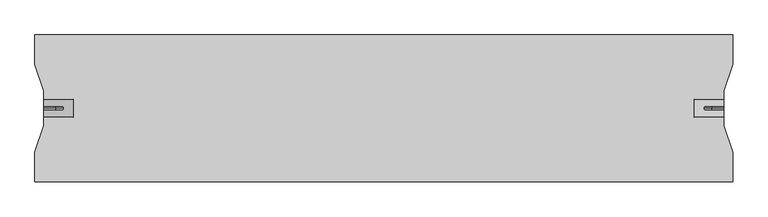
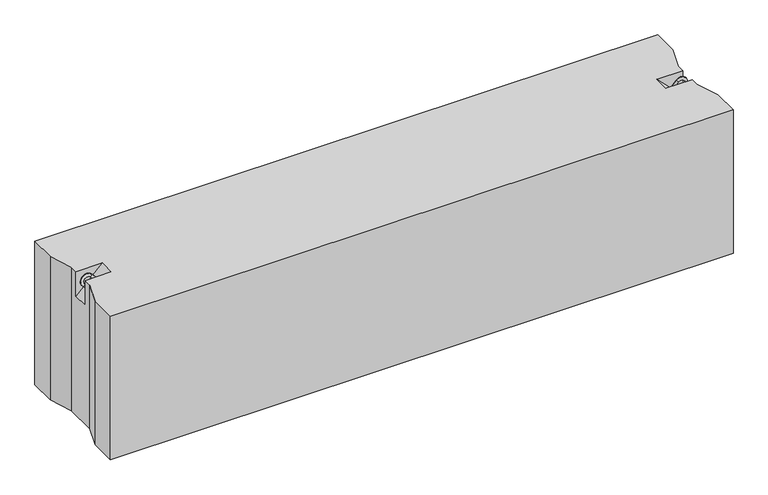
"""IFC4 building model written with IfcOpenShell, lengths in millimetres: proxy geometry."""

from ifc_helpers import new_model, si_unit, point, frame, origin, place, context, project, spatial, circle_curve, ellipse_curve, trimmed, faceted_brep, source, transform, mapped, element, save
from ifc_brep_helpers import plane_surface, cylinder_surface, revolved_surface, advanced_brep


def generic_models_3a6be638(model_context):
    return source(origin(), model_context, "Body", "SolidModel", [
        advanced_brep(
        [(2282.3223305, 0.0, 547.6776695), (2289.3933983, 0.0, 540.6066017), (2314.3933983, 0.0, 565.6066017), (2307.3223305, 0.0, 572.6776695), (2335.6066017, 0.0, 544.3933983), (2342.6776695, 0.0, 537.3223305), (2317.6776695, 0.0, 512.3223305), (2310.6066017, 0.0, 519.3933983)],
        [
            (0, 1, circle_curve(frame((2285.8578644, 0.0, 544.1421356), z_axis=(-0.7071067811865482, 0.0, -0.7071067811865468), x_axis=(0.7071067811865468, 0.0, -0.7071067811865482)), 5.0)),
            (1, 0, circle_curve(frame((2285.8578644, 0.0, 544.1421356), z_axis=(-0.7071067811865482, 0.0, -0.7071067811865468), x_axis=(0.7071067811865468, 0.0, -0.7071067811865482)), 5.0)),
            (1, 2),
            (2, 3, circle_curve(frame((2310.8578644, 0.0, 569.1421356), z_axis=(-0.7071067811865482, 0.0, -0.7071067811865468), x_axis=(0.7071067811865468, 0.0, -0.7071067811865482)), 5.0)),
            (3, 0),
            (3, 2, circle_curve(frame((2310.8578644, 0.0, 569.1421356), z_axis=(-0.7071067811865482, 0.0, -0.7071067811865468), x_axis=(0.7071067811865468, 0.0, -0.7071067811865482)), 5.0)),
            (4, 5, circle_curve(frame((2339.1421356, 0.0, 540.8578644), z_axis=(0.7071067811865457, 0.0, 0.7071067811865493), x_axis=(-0.7071067811865493, 0.0, 0.7071067811865457)), 5.0)),
            (5, 3, circle_curve(frame((2325.0, 0.0, 555.0), z_axis=(0.0, -1.0, 0.0), x_axis=(-0.7071067811865468, 0.0, 0.7071067811865482)), 25.0)),
            (2, 4, circle_curve(frame((2325.0, 0.0, 555.0), z_axis=(0.0, 1.0, 0.0), x_axis=(-0.7071067811865468, 0.0, 0.7071067811865482)), 15.0)),
            (5, 4, circle_curve(frame((2339.1421356, 0.0, 540.8578644), z_axis=(0.7071067811865459, 0.0, 0.7071067811865491), x_axis=(-0.7071067811865491, 0.0, 0.7071067811865459)), 5.0)),
            (6, 7, circle_curve(frame((2314.1421356, 0.0, 515.8578644), z_axis=(-0.7071067811865505, 0.0, -0.7071067811865446), x_axis=(-0.7071067811865446, 0.0, 0.7071067811865505)), 5.0)),
            (7, 6, circle_curve(frame((2314.1421356, 0.0, 515.8578644), z_axis=(-0.7071067811865505, 0.0, -0.7071067811865446), x_axis=(-0.7071067811865446, 0.0, 0.7071067811865505)), 5.0)),
            (4, 7),
            (6, 5),
        ],
        [
            plane_surface(frame((2282.3223305, 0.0, 547.6776695), z_axis=(-0.7071067811865482, 0.0, -0.7071067811865468), x_axis=(0.0, -1.0, 0.0))),
            cylinder_surface(frame((2285.8578644, 0.0, 544.1421356), z_axis=(-0.7071067811865482, 0.0, -0.7071067811865468), x_axis=(0.7071067811865468, 0.0, -0.7071067811865482)), 5.0),
            revolved_surface(trimmed(ellipse_curve(frame((2310.8578644, 0.0, 569.1421356), z_axis=(0.7071067811865482, 0.0, 0.7071067811865468), x_axis=(0.7071067811865468, 0.0, -0.7071067811865482)), 5.0, 5.0), [point((2307.3223305, 0.0, 572.6776695))], [point((2314.3933983, 0.0, 565.6066017))], True, "CARTESIAN"), (2325.0, 0.0, 555.0), (0.0, -1.0, 0.0)),
            revolved_surface(trimmed(ellipse_curve(frame((2310.8578644, 0.0, 569.1421356), z_axis=(0.7071067811865482, 0.0, 0.7071067811865468), x_axis=(0.7071067811865468, 0.0, -0.7071067811865482)), 5.0, 5.0), [point((2314.3933983, 0.0, 565.6066017))], [point((2307.3223305, 0.0, 572.6776695))], True, "CARTESIAN"), (2325.0, 0.0, 555.0), (0.0, -1.0, 0.0)),
            plane_surface(frame((2317.6776695, 0.0, 512.3223305), z_axis=(-0.7071067811865505, 0.0, -0.7071067811865446), x_axis=(0.0, -1.0, 0.0))),
            cylinder_surface(frame((2339.1421356, 0.0, 540.8578644), z_axis=(0.7071067811865505, 0.0, 0.7071067811865446), x_axis=(-0.7071067811865446, 0.0, 0.7071067811865505)), 5.0),
        ],
        [
            (0, [[1, 2]]),
            (1, [[3, 4, 5, -2]]),
            (1, [[-5, 6, -3, -1]]),
            (2, [[7, 8, -4, 9]]),
            (3, [[10, -9, -6, -8]]),
            (4, [[11, 12]]),
            (5, [[13, -11, 14, -7]]),
            (5, [[-14, -12, -13, -10]]),
        ],
    ),
        advanced_brep(
        [(97.6776695, 0.0, 547.6776695), (90.6066017, 0.0, 540.6066017), (72.6776695, 0.0, 572.6776695), (65.6066017, 0.0, 565.6066017), (44.3933983, 0.0, 544.3933983), (37.3223305, 0.0, 537.3223305), (62.3223305, 0.0, 512.3223305), (69.3933983, 0.0, 519.3933983)],
        [
            (0, 1, circle_curve(frame((94.1421356, 0.0, 544.1421356), z_axis=(0.707106781186546, 0.0, -0.707106781186549), x_axis=(-0.707106781186549, 0.0, -0.707106781186546)), 5.0)),
            (1, 0, circle_curve(frame((94.1421356, 0.0, 544.1421356), z_axis=(0.707106781186546, 0.0, -0.707106781186549), x_axis=(-0.707106781186549, 0.0, -0.707106781186546)), 5.0)),
            (0, 2),
            (2, 3, circle_curve(frame((69.1421356, 0.0, 569.1421356), z_axis=(0.707106781186546, 0.0, -0.707106781186549), x_axis=(-0.707106781186549, 0.0, -0.707106781186546)), 5.0)),
            (3, 1),
            (3, 2, circle_curve(frame((69.1421356, 0.0, 569.1421356), z_axis=(0.707106781186546, 0.0, -0.707106781186549), x_axis=(-0.707106781186549, 0.0, -0.707106781186546)), 5.0)),
            (4, 3, circle_curve(frame((55.0, 0.0, 555.0), z_axis=(0.0, 1.0, 0.0), x_axis=(0.707106781186549, 0.0, 0.707106781186546)), 15.0)),
            (2, 5, circle_curve(frame((55.0, 0.0, 555.0), z_axis=(0.0, -1.0, 0.0), x_axis=(0.707106781186549, 0.0, 0.707106781186546)), 25.0)),
            (5, 4, circle_curve(frame((40.8578644, 0.0, 540.8578644), z_axis=(-0.7071067811865437, 0.0, 0.7071067811865513), x_axis=(0.7071067811865513, 0.0, 0.7071067811865437)), 5.0)),
            (4, 5, circle_curve(frame((40.8578644, 0.0, 540.8578644), z_axis=(-0.7071067811865437, 0.0, 0.7071067811865513), x_axis=(0.7071067811865513, 0.0, 0.7071067811865437)), 5.0)),
            (6, 7, circle_curve(frame((65.8578644, 0.0, 515.8578644), z_axis=(0.7071067811865482, 0.0, -0.7071067811865468), x_axis=(0.7071067811865468, 0.0, 0.7071067811865482)), 5.0)),
            (7, 6, circle_curve(frame((65.8578644, 0.0, 515.8578644), z_axis=(0.7071067811865482, 0.0, -0.7071067811865468), x_axis=(0.7071067811865468, 0.0, 0.7071067811865482)), 5.0)),
            (5, 6),
            (7, 4),
        ],
        [
            plane_surface(frame((97.6776695, 0.0, 547.6776695), z_axis=(0.707106781186546, 0.0, -0.707106781186549), x_axis=(0.0, -1.0, 0.0))),
            cylinder_surface(frame((94.1421356, 0.0, 544.1421356), z_axis=(0.707106781186546, 0.0, -0.707106781186549), x_axis=(-0.707106781186549, 0.0, -0.707106781186546)), 5.0),
            revolved_surface(trimmed(ellipse_curve(frame((69.1421356, 0.0, 569.1421356), z_axis=(0.707106781186546, 0.0, -0.707106781186549), x_axis=(-0.707106781186549, 0.0, -0.707106781186546)), 5.0, 5.0), [point((72.6776695, 0.0, 572.6776695))], [point((65.6066017, 0.0, 565.6066017))], True, "CARTESIAN"), (55.0, 0.0, 555.0), (0.0, -1.0, 0.0)),
            revolved_surface(trimmed(ellipse_curve(frame((69.1421356, 0.0, 569.1421356), z_axis=(0.707106781186546, 0.0, -0.707106781186549), x_axis=(-0.707106781186549, 0.0, -0.707106781186546)), 5.0, 5.0), [point((65.6066017, 0.0, 565.6066017))], [point((72.6776695, 0.0, 572.6776695))], True, "CARTESIAN"), (55.0, 0.0, 555.0), (0.0, -1.0, 0.0)),
            plane_surface(frame((62.3223305, 0.0, 512.3223305), z_axis=(0.7071067811865482, 0.0, -0.7071067811865468), x_axis=(0.0, -1.0, 0.0))),
            cylinder_surface(frame((40.8578644, 0.0, 540.8578644), z_axis=(-0.7071067811865482, 0.0, 0.7071067811865468), x_axis=(0.7071067811865468, 0.0, 0.7071067811865482)), 5.0),
        ],
        [
            (0, [[1, 2]]),
            (1, [[-1, 3, 4, 5]]),
            (1, [[-2, -5, 6, -3]]),
            (2, [[7, -4, 8, 9]]),
            (3, [[-8, -6, -7, 10]]),
            (4, [[11, 12]]),
            (5, [[-9, 13, -12, 14]]),
            (5, [[-10, -14, -11, -13]]),
        ],
    ),
        faceted_brep([(2380.0, 250.0, 580.0), (0.0, 250.0, 580.0), (0.0, 150.0, 580.0), (30.0, 60.0, 580.0), (30.0, 30.0, 580.0), (130.0, 30.0, 580.0), (130.0, -30.0, 580.0), (30.0, -30.0, 580.0), (30.0, -60.0, 580.0), (0.0, -150.0, 580.0), (0.0, -250.0, 580.0), (2380.0, -250.0, 580.0), (2380.0, -150.0, 580.0), (2350.0, -60.0, 580.0), (2350.0, -30.0, 580.0), (2250.0, -30.0, 580.0), (2250.0, 30.0, 580.0), (2350.0, 30.0, 580.0), (2350.0, 60.0, 580.0), (2380.0, 150.0, 580.0), (2380.0, 250.0, 0.0), (2380.0, 150.0, 0.0), (2350.0, 60.0, 0.0), (2350.0, -60.0, 0.0), (2380.0, -150.0, 0.0), (2380.0, -250.0, 0.0), (0.0, -250.0, 0.0), (0.0, -150.0, 0.0), (30.0, -60.0, 0.0), (30.0, 60.0, 0.0), (0.0, 150.0, 0.0), (0.0, 250.0, 0.0), (30.0, -30.0, 480.0), (30.0, 30.0, 480.0), (2350.0, 30.0, 480.0), (2350.0, -30.0, 480.0)], [[[0, 1, 2, 3, 4, 5, 6, 7, 8, 9, 10, 11, 12, 13, 14, 15, 16, 17, 18, 19]], [[20, 21, 22, 23, 24, 25, 26, 27, 28, 29, 30, 31]], [[1, 0, 20, 31]], [[10, 9, 27, 26]], [[11, 10, 26, 25]], [[0, 19, 21, 20]], [[2, 1, 31, 30]], [[3, 2, 30, 29]], [[29, 28, 8, 7, 32, 33, 4, 3]], [[9, 8, 28, 27]], [[12, 11, 25, 24]], [[13, 12, 24, 23]], [[23, 22, 18, 17, 34, 35, 14, 13]], [[19, 18, 22, 21]], [[6, 32, 7]], [[35, 15, 14]], [[33, 5, 4]], [[16, 34, 17]], [[32, 6, 5, 33]], [[15, 35, 34, 16]]]),
    ])


if __name__ == "__main__":
    model = new_model("IFC4")
    model_context = context("Model", 3, world=origin())
    ifc_project = project(units=[si_unit("LENGTHUNIT", "METRE", prefix="MILLI")], contexts=[model_context])
    site = spatial("IfcSite", under=ifc_project)
    building = spatial("IfcBuilding", under=site)
    placement = place(None, origin())
    generic_models_shape = generic_models_3a6be638(model_context)
    element("IfcBuildingElementProxy", 1, Name="Generic Models", at=placement, inside=building, context=model_context, shape_type="MappedRepresentation", body=[
        mapped(generic_models_shape, transform((0.0, 0.0, 0.0), x_axis=(1.0, 0.0, 0.0), y_axis=(0.0, 1.0, 0.0), z_axis=(0.0, 0.0, 1.0))),
    ])
    save(model, "model.ifc")
